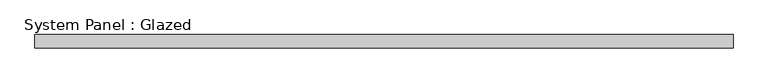
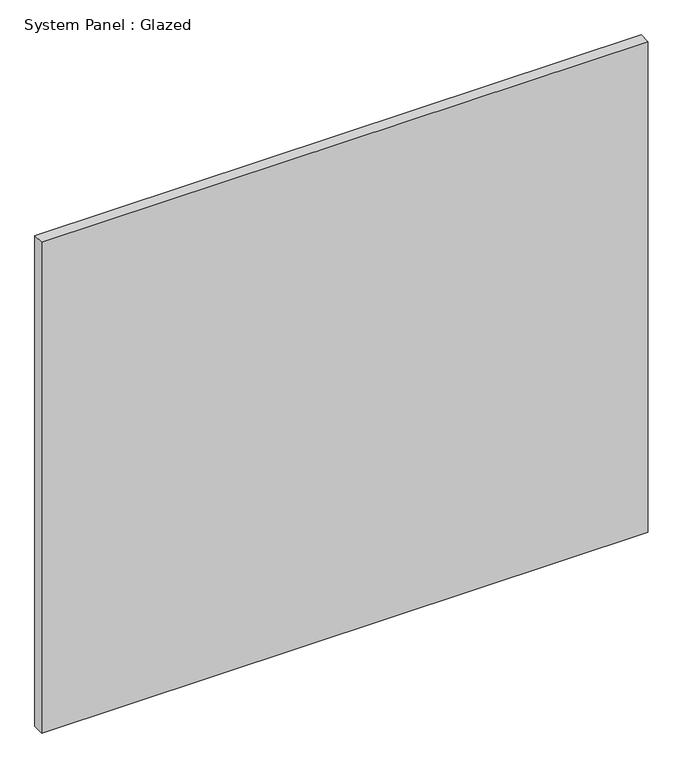
"""IFC4 building model written with IfcOpenShell, lengths in millimetres: plate geometry, System Panel : Glazed."""

import ifcopenshell
import ifcopenshell.guid

model = None  # the IFC model being written
_history = None  # IfcOwnerHistory: only IFC2X3 demands one
_inside = {}  # id of a spatial element -> (the spatial element, [elements in it])
_under = {}  # id of a project, library or spatial element -> (it, [spatial elements below it])
_declared = {}  # id of a project -> (the project, [libraries it declares])
_typed = {}  # id of a type object -> (the type object, [elements of that type])
_made_of = {}  # id of a material, layer set ... -> (it, [elements and type objects made of it])


def new_model(schema):
    """Start an empty IFC model of exactly this schema.

    Asked for "IFC4X3", IfcOpenShell would pick the latest addendum, in which some entities
    have other attributes; the version numbers below select the first issue.
    IFC2X3 requires an IfcOwnerHistory on every rooted entity: one is made here for all.
    """
    global model, _history
    if schema == "IFC4X3":
        model = ifcopenshell.file(schema_version=(4, 3, 0, 0))
    else:
        model = ifcopenshell.file(schema=schema)
    _inside.clear()
    _under.clear()
    _declared.clear()
    _typed.clear()
    _made_of.clear()
    _history = None
    if model.schema == "IFC2X3":
        org = make("IfcOrganization", Name="unknown")
        user = make(
            "IfcPersonAndOrganization",
            ThePerson=make("IfcPerson", FamilyName="unknown"),
            TheOrganization=org,
        )
        app = make(
            "IfcApplication",
            ApplicationDeveloper=org,
            Version="unknown",
            ApplicationFullName="unknown",
            ApplicationIdentifier="unknown",
        )
        _history = make(
            "IfcOwnerHistory",
            OwningUser=user,
            OwningApplication=app,
            ChangeAction="ADDED",
            CreationDate=0,
        )
    return model


def make(cls, **values):
    """One entity of the class cls with the attributes given. An attribute that is None is left unset."""
    return model.create_entity(
        cls, **{name: value for name, value in values.items() if value is not None}
    )


def rooted(cls, **values):
    """An entity with a GlobalId (a new one), such as an element, a storey or a relation."""
    return make(cls, GlobalId=ifcopenshell.guid.new(), OwnerHistory=_history, **values)


def si_unit(unit_type, name, prefix=None):
    """IfcSIUnit, for example si_unit("LENGTHUNIT", "METRE", prefix="MILLI")."""
    return make("IfcSIUnit", UnitType=unit_type, Prefix=prefix, Name=name)


def assignment(units):
    """IfcUnitAssignment: the units of a project."""
    return None if units is None else make("IfcUnitAssignment", Units=units)


def point(xyz):
    """IfcCartesianPoint."""
    return None if xyz is None else make("IfcCartesianPoint", Coordinates=xyz)


def direction(xyz):
    """IfcDirection."""
    return None if xyz is None else make("IfcDirection", DirectionRatios=xyz)


def frame(location, z_axis=None, x_axis=None):
    """IfcAxis2Placement3D, a coordinate frame: its origin and axes. An axis left out is left unset."""
    return make(
        "IfcAxis2Placement3D",
        Location=point(location),
        Axis=direction(z_axis),
        RefDirection=direction(x_axis),
    )


def origin():
    """The frame at (0, 0, 0) with its axes left unset."""
    return frame((0.0, 0.0, 0.0))


def origin_with_axes():
    """The frame at (0, 0, 0) with the z axis (0, 0, 1) and the x axis (1, 0, 0) written out."""
    return frame((0.0, 0.0, 0.0), z_axis=(0.0, 0.0, 1.0), x_axis=(1.0, 0.0, 0.0))


def place(relative_to, where):
    """IfcLocalPlacement: puts the frame where relative to a parent placement (None: the world)."""
    return make(
        "IfcLocalPlacement", PlacementRelTo=relative_to, RelativePlacement=where
    )


def context(
    kind, dimensions, precision=None, world=None, true_north=None, identifier=None
):
    """IfcGeometricRepresentationContext, for example the 3D "Model" context."""
    return make(
        "IfcGeometricRepresentationContext",
        ContextIdentifier=identifier,
        ContextType=kind,
        CoordinateSpaceDimension=dimensions,
        Precision=precision,
        WorldCoordinateSystem=world,
        TrueNorth=true_north,
    )


def project(units=None, contexts=None):
    """IfcProject with its units and contexts."""
    return rooted(
        "IfcProject",
        Name="project",
        RepresentationContexts=contexts,
        UnitsInContext=assignment(units),
    )


def spatial(cls, under=None, at=None, **own):
    """A site, building, storey or space (cls), placed at a placement, below another one or the project."""
    s = rooted(cls, ObjectPlacement=at, **own)
    if under is not None:
        _under.setdefault(under.id(), (under, []))[1].append(s)
    return s


def polyline(points):
    """IfcPolyline through the points."""
    return make("IfcPolyline", Points=[point(p) for p in points])


def outline(outer, holes=None, kind="AREA"):
    """IfcArbitraryClosedProfileDef: a profile drawn as a closed curve; with holes, ...WithVoids."""
    if holes is None:
        return make("IfcArbitraryClosedProfileDef", ProfileType=kind, OuterCurve=outer)
    return make(
        "IfcArbitraryProfileDefWithVoids",
        ProfileType=kind,
        OuterCurve=outer,
        InnerCurves=holes,
    )


def extrude(swept, where, along, depth):
    """IfcExtrudedAreaSolid: the profile swept, set in the frame where, extruded along a direction by depth."""
    return make(
        "IfcExtrudedAreaSolid",
        SweptArea=swept,
        Position=where,
        ExtrudedDirection=direction(along),
        Depth=depth,
    )


def shape(context_of_items, identifier, shape_type, items):
    """IfcShapeRepresentation: the items that make up one representation, for example the "Body"."""
    return make(
        "IfcShapeRepresentation",
        ContextOfItems=context_of_items,
        RepresentationIdentifier=identifier,
        RepresentationType=shape_type,
        Items=items,
    )


def source(mapping_origin, context_of_items, identifier, shape_type, items):
    """IfcRepresentationMap: a shape defined once, which mapped items show again and again."""
    return make(
        "IfcRepresentationMap",
        MappingOrigin=mapping_origin,
        MappedRepresentation=shape(context_of_items, identifier, shape_type, items),
    )


def transform(
    local_origin,
    x_axis=None,
    y_axis=None,
    z_axis=None,
    scale=None,
    scale2=None,
    scale3=None,
    uniform=True,
):
    """IfcCartesianTransformationOperator3D, or its non-uniform kind. x_axis, y_axis, z_axis: its Axis1, 2, 3."""
    if uniform:
        return make(
            "IfcCartesianTransformationOperator3D",
            Axis1=direction(x_axis),
            Axis2=direction(y_axis),
            LocalOrigin=point(local_origin),
            Scale=scale,
            Axis3=direction(z_axis),
        )
    return make(
        "IfcCartesianTransformationOperator3DnonUniform",
        Axis1=direction(x_axis),
        Axis2=direction(y_axis),
        LocalOrigin=point(local_origin),
        Scale=scale,
        Axis3=direction(z_axis),
        Scale2=scale2,
        Scale3=scale3,
    )


def mapped(mapping_source, mapping_target):
    """IfcMappedItem: shows the shape of a source again, moved by a transform."""
    return make(
        "IfcMappedItem", MappingSource=mapping_source, MappingTarget=mapping_target
    )


def made_of(thing, what):
    """Note that an element or type object is made of a material, layer set ...; save() writes the relation."""
    if what is not None:
        _made_of.setdefault(what.id(), (what, []))[1].append(thing)
    return thing


def element(
    cls,
    number,
    at=None,
    inside=None,
    cuts=None,
    type_object=None,
    material=None,
    context=None,
    identifier="Body",
    shape_type=None,
    held_by="IfcProductDefinitionShape",
    body=None,
    shapes=None,
    **own,
):
    """One element of the class cls, such as IfcWall. Its Tag is "e" and its number.

    at: its placement. inside: the storey or other place that contains it. cuts: it is an
    opening in that element (IfcRelVoidsElement). A single representation is given by context,
    identifier, shape_type and body (its items); several are given by shapes. held_by: the class
    of the entity that holds the representations. save() writes the other relations.
    """
    e = rooted(cls, Tag="e%d" % number, ObjectPlacement=at, **own)
    if body is not None:
        shapes = [shape(context, identifier, shape_type, body)]
    if shapes is not None:
        e.Representation = make(held_by, Representations=shapes)
    if inside is not None:
        _inside.setdefault(inside.id(), (inside, []))[1].append(e)
    if cuts is not None:
        rooted(
            "IfcRelVoidsElement", RelatingBuildingElement=cuts, RelatedOpeningElement=e
        )
    if type_object is not None:
        _typed.setdefault(type_object.id(), (type_object, []))[1].append(e)
    return made_of(e, material)


def aggregate(whole, parts):
    """IfcRelAggregates: a whole, such as a stair, and the parts it consists of."""
    return rooted("IfcRelAggregates", RelatingObject=whole, RelatedObjects=parts)


def save(model, path):
    """Write the relations noted so far, then the file.

    IfcRelAggregates (storeys below a building ...), IfcRelContainedInSpatialStructure (elements
    in a storey), IfcRelDefinesByType, IfcRelAssociatesMaterial and IfcRelDeclares: one each for
    every whole, place, type object, material and project.
    """
    for whole, parts in _under.values():
        aggregate(whole, parts)
    for where, things in _inside.values():
        rooted(
            "IfcRelContainedInSpatialStructure",
            RelatedElements=things,
            RelatingStructure=where,
        )
    for kind, things in _typed.values():
        rooted("IfcRelDefinesByType", RelatedObjects=things, RelatingType=kind)
    for what, things in _made_of.values():
        rooted("IfcRelAssociatesMaterial", RelatedObjects=things, RelatingMaterial=what)
    for by, libraries in _declared.values():
        rooted("IfcRelDeclares", RelatingContext=by, RelatedDefinitions=libraries)
    model.write(path)


def system_panel_glazed_3c305830(model_context):
    return source(origin(), model_context, "Body", "SweptSolid", [
        extrude(outline(polyline([(668.3375, -12.7), (-668.3375, -12.7), (-668.3375, 12.7), (668.3375, 12.7), (668.3375, -12.7)])), origin_with_axes(), (0.0, 0.0, 1.0), 1143.0),
    ])


if __name__ == "__main__":
    model = new_model("IFC4")
    model_context = context("Model", 3, world=origin())
    ifc_project = project(units=[si_unit("LENGTHUNIT", "METRE", prefix="MILLI")], contexts=[model_context])
    site = spatial("IfcSite", under=ifc_project)
    building = spatial("IfcBuilding", under=site)
    placement = place(None, origin())
    system_panel_glazed_shape = system_panel_glazed_3c305830(model_context)
    element("IfcPlate", 1, ObjectType="System Panel : Glazed", at=placement, inside=building, context=model_context, shape_type="MappedRepresentation", body=[
        mapped(system_panel_glazed_shape, transform((0.0, 0.0, 0.0), x_axis=(1.0, 0.0, 0.0), y_axis=(0.0, 1.0, 0.0), z_axis=(0.0, 0.0, 1.0))),
    ])
    save(model, "model.ifc")
